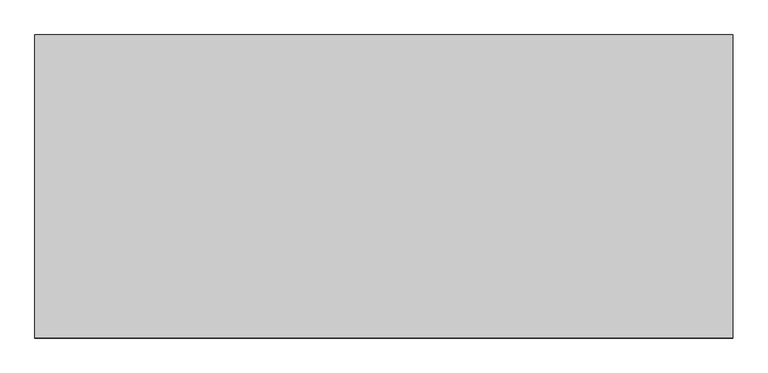
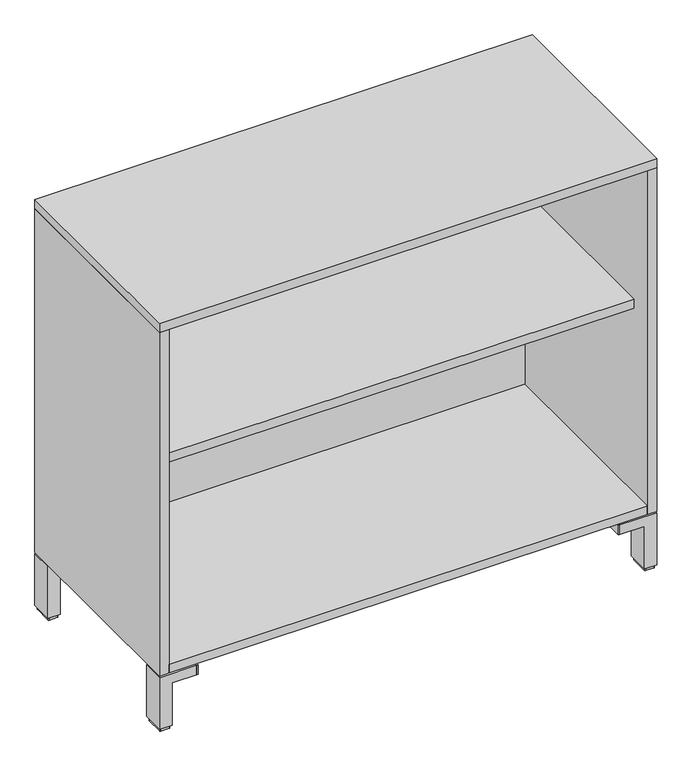
"""IFC4 building model written with IfcOpenShell, lengths in millimetres: furniture geometry."""

from ifc_helpers import new_model, si_unit, point, frame, frame_2d, origin, origin_with_axes, place, context, project, spatial, polyline, circle_curve, trimmed, segment, composite_curve, outline, extrude, faceted_brep, source, transform, mapped, element, save


def furniture_22e4c733(model_context):
    return source(origin(), model_context, "Body", "SolidModel", [
        extrude(outline(polyline([(-781.0, 209.0), (181.0, 209.0), (181.0, -171.0), (-781.0, -171.0), (-781.0, 209.0)])), frame((0.0, 0.0, 531.0), z_axis=(0.0, 0.0, 1.0), x_axis=(1.0, 0.0, 0.0)), (0.0, 0.0, 1.0), 19.0),
        extrude(outline(polyline([(97.0, 174.8), (7.0, 174.8), (7.0, 200.0), (117.0, 200.0), (117.0, 125.7), (97.0, 125.7), (97.0, 174.8)])), frame((0.0, 171.9999996, 0.0), z_axis=(0.0, 1.0, 0.0), x_axis=(0.0, 0.0, 1.0)), (0.0, 0.0, 1.0), 45.0),
        extrude(outline(polyline([(97.0, -774.8), (97.0, -725.7), (117.0, -725.7), (117.0, -800.0), (7.0, -800.0), (7.0, -774.8), (97.0, -774.8)])), frame((0.0, 171.9999996, 0.0), z_axis=(0.0, 1.0, 0.0), x_axis=(0.0, 0.0, 1.0)), (0.0, 0.0, 1.0), 45.0),
        extrude(outline(polyline([(97.0, 174.8), (7.0, 174.8), (7.0, 200.0), (117.0, 200.0), (117.0, 125.7), (97.0, 125.7), (97.0, 174.8)])), frame((0.0, -216.9999996, 0.0), z_axis=(0.0, 1.0, 0.0), x_axis=(0.0, 0.0, 1.0)), (0.0, 0.0, 1.0), 45.0),
        extrude(outline(polyline([(97.0, -774.8), (97.0, -725.7), (117.0, -725.7), (117.0, -800.0), (7.0, -800.0), (7.0, -774.8), (97.0, -774.8)])), frame((0.0, -216.9999996, 0.0), z_axis=(0.0, 1.0, 0.0), x_axis=(0.0, 0.0, 1.0)), (0.0, 0.0, 1.0), 45.0),
        extrude(outline(composite_curve([segment(polyline([(-777.6, -176.3), (-777.6, -212.7)]), True, "CONTINUOUS"), segment(trimmed(circle_curve(frame_2d((-779.1, -212.7)), 1.5), [point((-777.6, -212.7))], [point((-779.1, -214.2))], False, "CARTESIAN"), True, "CONTINUOUS"), segment(polyline([(-779.1, -214.2), (-795.7, -214.2)]), True, "CONTINUOUS"), segment(trimmed(circle_curve(frame_2d((-795.7, -212.7)), 1.5), [point((-795.7, -214.2))], [point((-797.2, -212.7))], False, "CARTESIAN"), True, "CONTINUOUS"), segment(polyline([(-797.2, -212.7), (-797.2, -176.3)]), True, "CONTINUOUS"), segment(trimmed(circle_curve(frame_2d((-795.7, -176.3)), 1.5), [point((-797.2, -176.3))], [point((-795.7, -174.8))], False, "CARTESIAN"), True, "CONTINUOUS"), segment(polyline([(-795.7, -174.8), (-779.1, -174.8)]), True, "CONTINUOUS"), segment(trimmed(circle_curve(frame_2d((-779.1, -176.3)), 1.5), [point((-779.1, -174.8))], [point((-777.6, -176.3))], False, "CARTESIAN"), True, "CONTINUOUS")], self_intersect=False)), origin_with_axes(), (0.0, 0.0, 1.0), 7.0),
        extrude(outline(composite_curve([segment(trimmed(circle_curve(frame_2d((-779.1, 176.3)), 1.5), [point((-777.6, 176.3))], [point((-779.1, 174.8))], False, "CARTESIAN"), True, "CONTINUOUS"), segment(polyline([(-779.1, 174.8), (-795.7, 174.8)]), True, "CONTINUOUS"), segment(trimmed(circle_curve(frame_2d((-795.7, 176.3)), 1.5), [point((-795.7, 174.8))], [point((-797.2, 176.3))], False, "CARTESIAN"), True, "CONTINUOUS"), segment(polyline([(-797.2, 176.3), (-797.2, 212.7)]), True, "CONTINUOUS"), segment(trimmed(circle_curve(frame_2d((-795.7, 212.7)), 1.5), [point((-797.2, 212.7))], [point((-795.7, 214.2))], False, "CARTESIAN"), True, "CONTINUOUS"), segment(polyline([(-795.7, 214.2), (-779.1, 214.2)]), True, "CONTINUOUS"), segment(trimmed(circle_curve(frame_2d((-779.1, 212.7)), 1.5), [point((-779.1, 214.2))], [point((-777.6, 212.7))], False, "CARTESIAN"), True, "CONTINUOUS"), segment(polyline([(-777.6, 212.7), (-777.6, 176.3)]), True, "CONTINUOUS")], self_intersect=False)), origin_with_axes(), (0.0, 0.0, 1.0), 7.0),
        extrude(outline(composite_curve([segment(trimmed(circle_curve(frame_2d((179.1281557, -176.3)), 1.5), [point((177.6281557, -176.3))], [point((179.1281557, -174.8))], False, "CARTESIAN"), True, "CONTINUOUS"), segment(polyline([(179.1281557, -174.8), (195.7281557, -174.8)]), True, "CONTINUOUS"), segment(trimmed(circle_curve(frame_2d((195.7281557, -176.3)), 1.5), [point((195.7281557, -174.8))], [point((197.2281557, -176.3))], False, "CARTESIAN"), True, "CONTINUOUS"), segment(polyline([(197.2281557, -176.3), (197.2281557, -212.7)]), True, "CONTINUOUS"), segment(trimmed(circle_curve(frame_2d((195.7281557, -212.7)), 1.5), [point((197.2281557, -212.7))], [point((195.7281557, -214.2))], False, "CARTESIAN"), True, "CONTINUOUS"), segment(polyline([(195.7281557, -214.2), (179.1281557, -214.2)]), True, "CONTINUOUS"), segment(trimmed(circle_curve(frame_2d((179.1281557, -212.7)), 1.5), [point((179.1281557, -214.2))], [point((177.6281557, -212.7))], False, "CARTESIAN"), True, "CONTINUOUS"), segment(polyline([(177.6281557, -212.7), (177.6281557, -176.3)]), True, "CONTINUOUS")], self_intersect=False)), origin_with_axes(), (0.0, 0.0, 1.0), 7.0),
        extrude(outline(composite_curve([segment(polyline([(177.6281557, 176.3), (177.6281557, 212.7)]), True, "CONTINUOUS"), segment(trimmed(circle_curve(frame_2d((179.1281557, 212.7)), 1.5), [point((177.6281557, 212.7))], [point((179.1281557, 214.2))], False, "CARTESIAN"), True, "CONTINUOUS"), segment(polyline([(179.1281557, 214.2), (195.7281557, 214.2)]), True, "CONTINUOUS"), segment(trimmed(circle_curve(frame_2d((195.7281557, 212.7)), 1.5), [point((195.7281557, 214.2))], [point((197.2281557, 212.7))], False, "CARTESIAN"), True, "CONTINUOUS"), segment(polyline([(197.2281557, 212.7), (197.2281557, 176.3)]), True, "CONTINUOUS"), segment(trimmed(circle_curve(frame_2d((195.7281557, 176.3)), 1.5), [point((197.2281557, 176.3))], [point((195.7281557, 174.8))], False, "CARTESIAN"), True, "CONTINUOUS"), segment(polyline([(195.7281557, 174.8), (179.1281557, 174.8)]), True, "CONTINUOUS"), segment(trimmed(circle_curve(frame_2d((179.1281557, 176.3)), 1.5), [point((179.1281557, 174.8))], [point((177.6281557, 176.3))], False, "CARTESIAN"), True, "CONTINUOUS")], self_intersect=False)), origin_with_axes(), (0.0, 0.0, 1.0), 7.0),
        faceted_brep([(122.7, -22.5, 97.0), (-722.7, -22.5, 97.0), (-722.7, -217.0, 97.0), (-725.7, -217.0, 97.0), (-725.7, 217.0, 97.0), (-722.7, 217.0, 97.0), (-722.7, 22.5, 97.0), (122.7, 22.5, 97.0), (122.7, 217.0, 97.0), (125.7, 217.0, 97.0), (125.7, -217.0, 97.0), (122.7, -217.0, 97.0), (122.7, 22.5, 120.0), (-722.7, 22.5, 120.0), (-722.7, 212.0, 120.0), (-794.7, 212.0, 120.0), (-794.7, -212.0, 120.0), (-722.7, -212.0, 120.0), (-722.7, -22.5, 120.0), (122.7, -22.5, 120.0), (122.7, -212.0, 120.0), (194.7, -212.0, 120.0), (194.7, 212.0, 120.0), (122.7, 212.0, 120.0), (125.7, 217.0, 117.0), (122.7, 217.0, 117.0), (-725.7, 217.0, 117.0), (-722.7, 217.0, 117.0), (125.7, -217.0, 117.0), (122.7, -217.0, 117.0), (-725.7, -217.0, 117.0), (-722.7, -217.0, 117.0), (125.7, 212.0, 117.0), (125.7, -212.0, 117.0), (122.7, 212.0, 117.0), (122.7, -212.0, 117.0), (-725.7, 212.0, 117.0), (-722.7, 212.0, 117.0), (-722.7, -212.0, 117.0), (-725.7, -212.0, 117.0), (-794.7, -212.0, 117.0), (-794.7, 212.0, 117.0), (194.7, 212.0, 117.0), (194.7, -212.0, 117.0)], [[[0, 1, 2, 3, 4, 5, 6, 7, 8, 9, 10, 11]], [[12, 13, 14, 15, 16, 17, 18, 19, 20, 21, 22, 23]], [[12, 7, 6, 13]], [[18, 1, 0, 19]], [[24, 9, 8, 25]], [[26, 27, 5, 4]], [[28, 29, 11, 10]], [[30, 3, 2, 31]], [[9, 24, 32, 33, 28, 10]], [[25, 8, 7, 12, 23, 34]], [[11, 29, 35, 20, 19, 0]], [[24, 25, 34, 32]], [[29, 28, 33, 35]], [[27, 26, 36, 37]], [[30, 31, 38, 39]], [[5, 27, 37, 14, 13, 6]], [[31, 2, 1, 18, 17, 38]], [[26, 4, 3, 30, 39, 36]], [[40, 41, 36, 39]], [[42, 43, 33, 32]], [[15, 14, 37, 36, 41]], [[41, 40, 16, 15]], [[17, 16, 40, 39, 38]], [[21, 20, 35, 33, 43]], [[43, 42, 22, 21]], [[23, 22, 42, 32, 34]]]),
        extrude(outline(polyline([(181.0, 209.0), (-781.0, 209.0), (-781.0, 217.0), (181.0, 217.0), (181.0, 209.0)])), frame((0.0, 0.0, 139.0), z_axis=(0.0, 0.0, 1.0), x_axis=(1.0, 0.0, 0.0)), (0.0, 0.0, 1.0), 712.0),
        extrude(outline(polyline([(-800.0, -217.0), (-800.0, 217.0), (200.0, 217.0), (200.0, -217.0), (-800.0, -217.0)])), frame((0.0, 0.0, 851.0), z_axis=(0.0, 0.0, 1.0), x_axis=(1.0, 0.0, 0.0)), (0.0, 0.0, 1.0), 19.0),
        extrude(outline(polyline([(200.0, 217.0), (200.0, -217.0), (181.0, -217.0), (181.0, 217.0), (200.0, 217.0)])), frame((0.0, 0.0, 120.0), z_axis=(0.0, 0.0, 1.0), x_axis=(1.0, 0.0, 0.0)), (0.0, 0.0, 1.0), 731.0),
        extrude(outline(polyline([(-781.0, 217.0), (-781.0, -217.0), (-800.0, -217.0), (-800.0, 217.0), (-781.0, 217.0)])), frame((0.0, 0.0, 120.0), z_axis=(0.0, 0.0, 1.0), x_axis=(1.0, 0.0, 0.0)), (0.0, 0.0, 1.0), 731.0),
        extrude(outline(polyline([(181.0, 217.0), (181.0, -217.0), (-781.0, -217.0), (-781.0, 217.0), (181.0, 217.0)])), frame((0.0, 0.0, 120.0), z_axis=(0.0, 0.0, 1.0), x_axis=(1.0, 0.0, 0.0)), (0.0, 0.0, 1.0), 19.0),
    ])


if __name__ == "__main__":
    model = new_model("IFC4")
    model_context = context("Model", 3, world=origin())
    ifc_project = project(units=[si_unit("LENGTHUNIT", "METRE", prefix="MILLI")], contexts=[model_context])
    site = spatial("IfcSite", under=ifc_project)
    building = spatial("IfcBuilding", under=site)
    placement = place(None, origin())
    furniture_shape = furniture_22e4c733(model_context)
    element("IfcFurniture", 1, at=placement, inside=building, context=model_context, shape_type="MappedRepresentation", body=[
        mapped(furniture_shape, transform((0.0, 0.0, 0.0), x_axis=(1.0, 0.0, 0.0), y_axis=(0.0, 1.0, 0.0), z_axis=(0.0, 0.0, 1.0))),
    ])
    save(model, "model.ifc")
